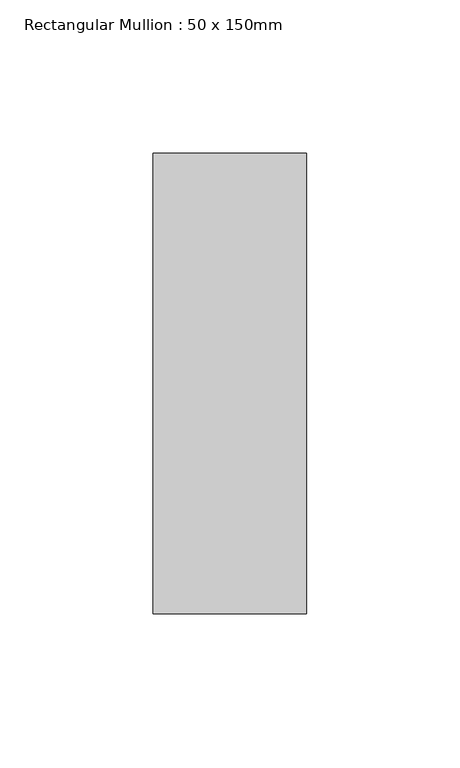
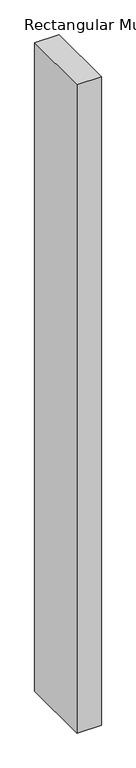
"""IFC4 building model written with IfcOpenShell, lengths in millimetres: member geometry, Rectangular Mullion : 50 x 150mm."""

from ifc_helpers import new_model, si_unit, frame, origin, place, context, project, spatial, polyline, outline, extrude, source, transform, mapped, element, save


def rectangular_mullion_50_x_150mm_b1ad148c(model_context):
    return source(origin(), model_context, "Body", "SweptSolid", [
        extrude(outline(polyline([(25.0, 75.0), (25.0, -75.0), (-25.0, -75.0), (-25.0, 75.0), (25.0, 75.0)])), frame((0.0, 0.0, -1405.6518706), z_axis=(0.0, 0.0, 1.0), x_axis=(1.0, 0.0, 0.0)), (0.0, 0.0, 1.0), 1405.6518706),
    ])


if __name__ == "__main__":
    model = new_model("IFC4")
    model_context = context("Model", 3, world=origin())
    ifc_project = project(units=[si_unit("LENGTHUNIT", "METRE", prefix="MILLI")], contexts=[model_context])
    site = spatial("IfcSite", under=ifc_project)
    building = spatial("IfcBuilding", under=site)
    placement = place(None, origin())
    rectangular_mullion_50_x_150mm_shape = rectangular_mullion_50_x_150mm_b1ad148c(model_context)
    element("IfcMember", 1, ObjectType="Rectangular Mullion : 50 x 150mm", at=placement, inside=building, context=model_context, shape_type="MappedRepresentation", body=[
        mapped(rectangular_mullion_50_x_150mm_shape, transform((0.0, 0.0, 0.0), x_axis=(1.0, 0.0, 0.0), y_axis=(0.0, 1.0, 0.0), z_axis=(0.0, 0.0, 1.0))),
    ])
    save(model, "model.ifc")
